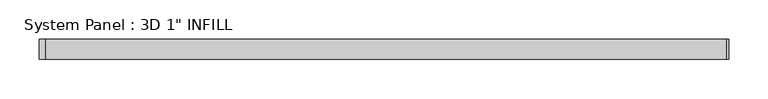
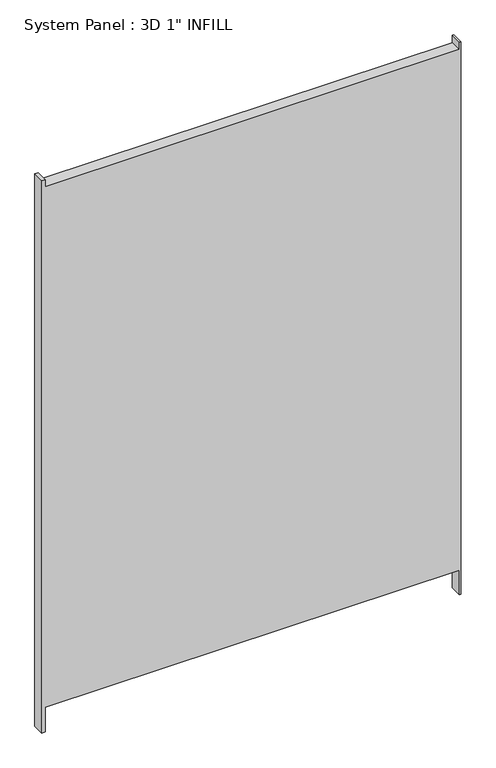
"""IFC4 building model written with IfcOpenShell, lengths in millimetres: plate geometry."""

import ifcopenshell
import ifcopenshell.guid

model = None  # the IFC model being written
_history = None  # IfcOwnerHistory: only IFC2X3 demands one
_inside = {}  # id of a spatial element -> (the spatial element, [elements in it])
_under = {}  # id of a project, library or spatial element -> (it, [spatial elements below it])
_declared = {}  # id of a project -> (the project, [libraries it declares])
_typed = {}  # id of a type object -> (the type object, [elements of that type])
_made_of = {}  # id of a material, layer set ... -> (it, [elements and type objects made of it])


def new_model(schema):
    """Start an empty IFC model of exactly this schema.

    Asked for "IFC4X3", IfcOpenShell would pick the latest addendum, in which some entities
    have other attributes; the version numbers below select the first issue.
    IFC2X3 requires an IfcOwnerHistory on every rooted entity: one is made here for all.
    """
    global model, _history
    if schema == "IFC4X3":
        model = ifcopenshell.file(schema_version=(4, 3, 0, 0))
    else:
        model = ifcopenshell.file(schema=schema)
    _inside.clear()
    _under.clear()
    _declared.clear()
    _typed.clear()
    _made_of.clear()
    _history = None
    if model.schema == "IFC2X3":
        org = make("IfcOrganization", Name="unknown")
        user = make(
            "IfcPersonAndOrganization",
            ThePerson=make("IfcPerson", FamilyName="unknown"),
            TheOrganization=org,
        )
        app = make(
            "IfcApplication",
            ApplicationDeveloper=org,
            Version="unknown",
            ApplicationFullName="unknown",
            ApplicationIdentifier="unknown",
        )
        _history = make(
            "IfcOwnerHistory",
            OwningUser=user,
            OwningApplication=app,
            ChangeAction="ADDED",
            CreationDate=0,
        )
    return model


def make(cls, **values):
    """One entity of the class cls with the attributes given. An attribute that is None is left unset."""
    return model.create_entity(
        cls, **{name: value for name, value in values.items() if value is not None}
    )


def rooted(cls, **values):
    """An entity with a GlobalId (a new one), such as an element, a storey or a relation."""
    return make(cls, GlobalId=ifcopenshell.guid.new(), OwnerHistory=_history, **values)


def si_unit(unit_type, name, prefix=None):
    """IfcSIUnit, for example si_unit("LENGTHUNIT", "METRE", prefix="MILLI")."""
    return make("IfcSIUnit", UnitType=unit_type, Prefix=prefix, Name=name)


def assignment(units):
    """IfcUnitAssignment: the units of a project."""
    return None if units is None else make("IfcUnitAssignment", Units=units)


def point(xyz):
    """IfcCartesianPoint."""
    return None if xyz is None else make("IfcCartesianPoint", Coordinates=xyz)


def direction(xyz):
    """IfcDirection."""
    return None if xyz is None else make("IfcDirection", DirectionRatios=xyz)


def frame(location, z_axis=None, x_axis=None):
    """IfcAxis2Placement3D, a coordinate frame: its origin and axes. An axis left out is left unset."""
    return make(
        "IfcAxis2Placement3D",
        Location=point(location),
        Axis=direction(z_axis),
        RefDirection=direction(x_axis),
    )


def origin():
    """The frame at (0, 0, 0) with its axes left unset."""
    return frame((0.0, 0.0, 0.0))


def place(relative_to, where):
    """IfcLocalPlacement: puts the frame where relative to a parent placement (None: the world)."""
    return make(
        "IfcLocalPlacement", PlacementRelTo=relative_to, RelativePlacement=where
    )


def context(
    kind, dimensions, precision=None, world=None, true_north=None, identifier=None
):
    """IfcGeometricRepresentationContext, for example the 3D "Model" context."""
    return make(
        "IfcGeometricRepresentationContext",
        ContextIdentifier=identifier,
        ContextType=kind,
        CoordinateSpaceDimension=dimensions,
        Precision=precision,
        WorldCoordinateSystem=world,
        TrueNorth=true_north,
    )


def project(units=None, contexts=None):
    """IfcProject with its units and contexts."""
    return rooted(
        "IfcProject",
        Name="project",
        RepresentationContexts=contexts,
        UnitsInContext=assignment(units),
    )


def spatial(cls, under=None, at=None, **own):
    """A site, building, storey or space (cls), placed at a placement, below another one or the project."""
    s = rooted(cls, ObjectPlacement=at, **own)
    if under is not None:
        _under.setdefault(under.id(), (under, []))[1].append(s)
    return s


def polyline(points):
    """IfcPolyline through the points."""
    return make("IfcPolyline", Points=[point(p) for p in points])


def outline(outer, holes=None, kind="AREA"):
    """IfcArbitraryClosedProfileDef: a profile drawn as a closed curve; with holes, ...WithVoids."""
    if holes is None:
        return make("IfcArbitraryClosedProfileDef", ProfileType=kind, OuterCurve=outer)
    return make(
        "IfcArbitraryProfileDefWithVoids",
        ProfileType=kind,
        OuterCurve=outer,
        InnerCurves=holes,
    )


def extrude(swept, where, along, depth):
    """IfcExtrudedAreaSolid: the profile swept, set in the frame where, extruded along a direction by depth."""
    return make(
        "IfcExtrudedAreaSolid",
        SweptArea=swept,
        Position=where,
        ExtrudedDirection=direction(along),
        Depth=depth,
    )


def shape(context_of_items, identifier, shape_type, items):
    """IfcShapeRepresentation: the items that make up one representation, for example the "Body"."""
    return make(
        "IfcShapeRepresentation",
        ContextOfItems=context_of_items,
        RepresentationIdentifier=identifier,
        RepresentationType=shape_type,
        Items=items,
    )


def source(mapping_origin, context_of_items, identifier, shape_type, items):
    """IfcRepresentationMap: a shape defined once, which mapped items show again and again."""
    return make(
        "IfcRepresentationMap",
        MappingOrigin=mapping_origin,
        MappedRepresentation=shape(context_of_items, identifier, shape_type, items),
    )


def transform(
    local_origin,
    x_axis=None,
    y_axis=None,
    z_axis=None,
    scale=None,
    scale2=None,
    scale3=None,
    uniform=True,
):
    """IfcCartesianTransformationOperator3D, or its non-uniform kind. x_axis, y_axis, z_axis: its Axis1, 2, 3."""
    if uniform:
        return make(
            "IfcCartesianTransformationOperator3D",
            Axis1=direction(x_axis),
            Axis2=direction(y_axis),
            LocalOrigin=point(local_origin),
            Scale=scale,
            Axis3=direction(z_axis),
        )
    return make(
        "IfcCartesianTransformationOperator3DnonUniform",
        Axis1=direction(x_axis),
        Axis2=direction(y_axis),
        LocalOrigin=point(local_origin),
        Scale=scale,
        Axis3=direction(z_axis),
        Scale2=scale2,
        Scale3=scale3,
    )


def mapped(mapping_source, mapping_target):
    """IfcMappedItem: shows the shape of a source again, moved by a transform."""
    return make(
        "IfcMappedItem", MappingSource=mapping_source, MappingTarget=mapping_target
    )


def made_of(thing, what):
    """Note that an element or type object is made of a material, layer set ...; save() writes the relation."""
    if what is not None:
        _made_of.setdefault(what.id(), (what, []))[1].append(thing)
    return thing


def element(
    cls,
    number,
    at=None,
    inside=None,
    cuts=None,
    type_object=None,
    material=None,
    context=None,
    identifier="Body",
    shape_type=None,
    held_by="IfcProductDefinitionShape",
    body=None,
    shapes=None,
    **own,
):
    """One element of the class cls, such as IfcWall. Its Tag is "e" and its number.

    at: its placement. inside: the storey or other place that contains it. cuts: it is an
    opening in that element (IfcRelVoidsElement). A single representation is given by context,
    identifier, shape_type and body (its items); several are given by shapes. held_by: the class
    of the entity that holds the representations. save() writes the other relations.
    """
    e = rooted(cls, Tag="e%d" % number, ObjectPlacement=at, **own)
    if body is not None:
        shapes = [shape(context, identifier, shape_type, body)]
    if shapes is not None:
        e.Representation = make(held_by, Representations=shapes)
    if inside is not None:
        _inside.setdefault(inside.id(), (inside, []))[1].append(e)
    if cuts is not None:
        rooted(
            "IfcRelVoidsElement", RelatingBuildingElement=cuts, RelatedOpeningElement=e
        )
    if type_object is not None:
        _typed.setdefault(type_object.id(), (type_object, []))[1].append(e)
    return made_of(e, material)


def aggregate(whole, parts):
    """IfcRelAggregates: a whole, such as a stair, and the parts it consists of."""
    return rooted("IfcRelAggregates", RelatingObject=whole, RelatedObjects=parts)


def save(model, path):
    """Write the relations noted so far, then the file.

    IfcRelAggregates (storeys below a building ...), IfcRelContainedInSpatialStructure (elements
    in a storey), IfcRelDefinesByType, IfcRelAssociatesMaterial and IfcRelDeclares: one each for
    every whole, place, type object, material and project.
    """
    for whole, parts in _under.values():
        aggregate(whole, parts)
    for where, things in _inside.values():
        rooted(
            "IfcRelContainedInSpatialStructure",
            RelatedElements=things,
            RelatingStructure=where,
        )
    for kind, things in _typed.values():
        rooted("IfcRelDefinesByType", RelatedObjects=things, RelatingType=kind)
    for what, things in _made_of.values():
        rooted("IfcRelAssociatesMaterial", RelatedObjects=things, RelatingMaterial=what)
    for by, libraries in _declared.values():
        rooted("IfcRelDeclares", RelatingContext=by, RelatedDefinitions=libraries)
    model.write(path)


def plate_6bbc232f(model_context):
    return source(origin(), model_context, "Body", "SweptSolid", [
        extrude(outline(polyline([(0.0, -437.753125), (0.0, -430.3877473), (54.0153037, -430.3877473), (54.0153037, 435.0998113), (0.0, 435.0998113), (0.0, 437.753125), (1219.2, 437.753125), (1219.2, 435.0998113), (1203.324458, 435.0998113), (1203.324458, -430.3877473), (1219.2, -430.3877473), (1219.2, -437.753125), (0.0, -437.753125)])), frame((0.0, -12.7, 0.0), z_axis=(0.0, 1.0, 0.0), x_axis=(0.0, 0.0, 1.0)), (0.0, 0.0, 1.0), 25.4),
    ])


if __name__ == "__main__":
    model = new_model("IFC4")
    model_context = context("Model", 3, world=origin())
    ifc_project = project(units=[si_unit("LENGTHUNIT", "METRE", prefix="MILLI")], contexts=[model_context])
    site = spatial("IfcSite", under=ifc_project)
    building = spatial("IfcBuilding", under=site)
    placement = place(None, origin())
    plate_shape = plate_6bbc232f(model_context)
    element("IfcPlate", 1, ObjectType="System Panel : 3D 1\" INFILL", at=placement, inside=building, context=model_context, shape_type="MappedRepresentation", body=[
        mapped(plate_shape, transform((0.0, 0.0, 0.0), x_axis=(1.0, 0.0, 0.0), y_axis=(0.0, 1.0, 0.0), z_axis=(0.0, 0.0, 1.0))),
    ])
    save(model, "model.ifc")
